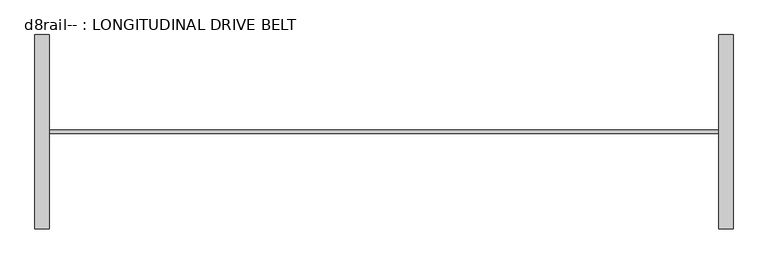
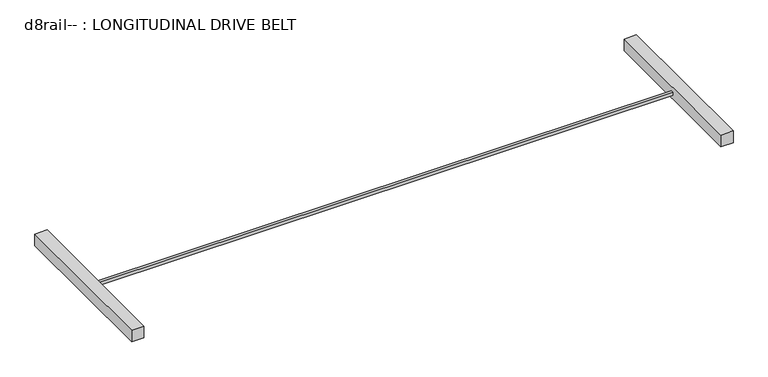
"""IFC4 building model written with IfcOpenShell, lengths in millimetres: proxy geometry, d8rail-- : LONGITUDINAL DRIVE BELT."""

from ifc_helpers import new_model, si_unit, frame, origin, place, context, project, spatial, polyline, outline, extrude, source, transform, mapped, element, save


def d8rail_longitudinal_drive_belt_13333cdc(model_context):
    return source(origin(), model_context, "Body", "SweptSolid", [
        extrude(outline(polyline([(-836.7326012, -452.9970657), (-836.7326012, -1824.5970657), (-938.3326012, -1824.5970657), (-938.3326012, -452.9970657), (-836.7326012, -452.9970657)])), frame((0.0, 0.0, 2641.6), z_axis=(0.0, 0.0, 1.0), x_axis=(1.0, 0.0, 0.0)), (0.0, 0.0, 1.0), 101.6),
        extrude(outline(polyline([(3887.6673988, -452.9970657), (3989.2673988, -452.9970657), (3989.2673988, -1824.5970657), (3887.6673988, -1824.5970657), (3887.6673988, -452.9970657)])), frame((0.0, 0.0, 2641.6), z_axis=(0.0, 0.0, 1.0), x_axis=(1.0, 0.0, 0.0)), (0.0, 0.0, 1.0), 101.6),
        extrude(outline(polyline([(-836.7326012, -1126.0970657), (3887.6673988, -1126.0970657), (3887.6673988, -1151.4970657), (-836.7326012, -1151.4970657), (-836.7326012, -1126.0970657)])), frame((0.0, 0.0, 2679.7), z_axis=(0.0, 0.0, 1.0), x_axis=(1.0, 0.0, 0.0)), (0.0, 0.0, 1.0), 25.4),
    ])


if __name__ == "__main__":
    model = new_model("IFC4")
    model_context = context("Model", 3, world=origin())
    ifc_project = project(units=[si_unit("LENGTHUNIT", "METRE", prefix="MILLI")], contexts=[model_context])
    site = spatial("IfcSite", under=ifc_project)
    building = spatial("IfcBuilding", under=site)
    placement = place(None, origin())
    d8rail_longitudinal_drive_belt_shape = d8rail_longitudinal_drive_belt_13333cdc(model_context)
    element("IfcBuildingElementProxy", 1, Name="d8rail-- : LONGITUDINAL DRIVE BELT", ObjectType="d8rail-- : LONGITUDINAL DRIVE BELT", at=placement, inside=building, context=model_context, shape_type="MappedRepresentation", body=[
        mapped(d8rail_longitudinal_drive_belt_shape, transform((0.0, 0.0, 0.0), x_axis=(1.0, 0.0, 0.0), y_axis=(0.0, 1.0, 0.0), z_axis=(0.0, 0.0, 1.0))),
    ])
    save(model, "model.ifc")
